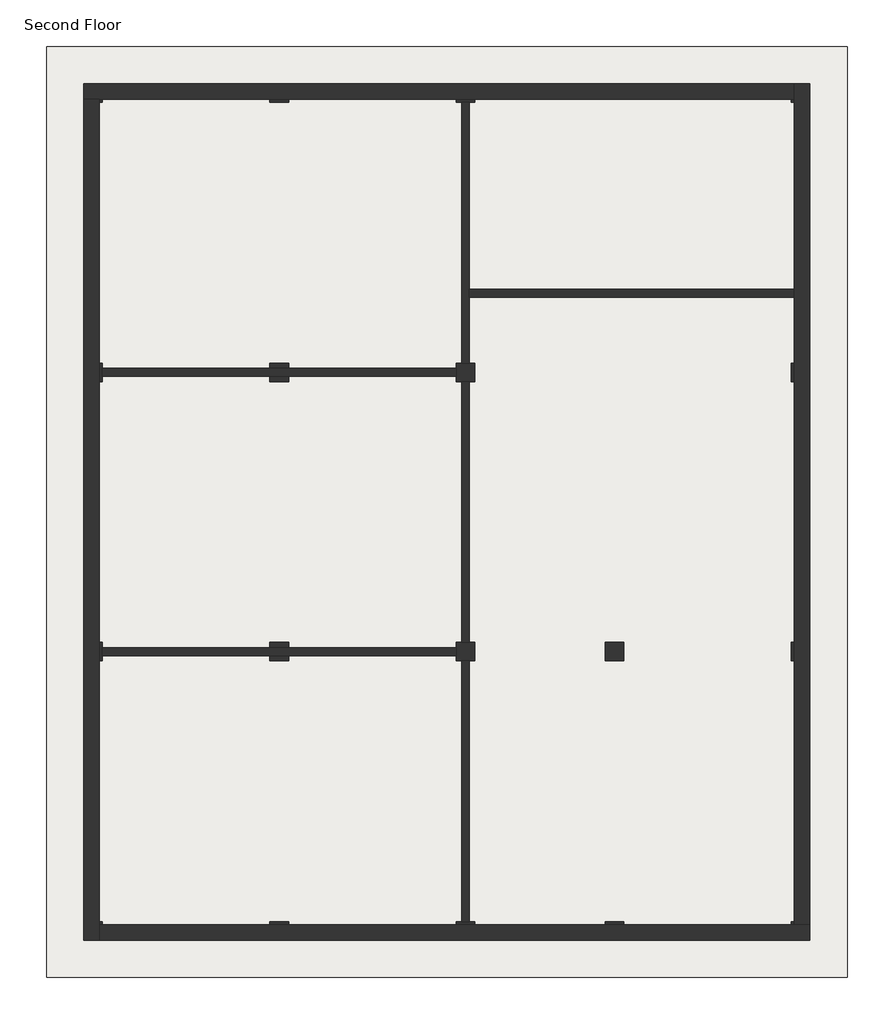
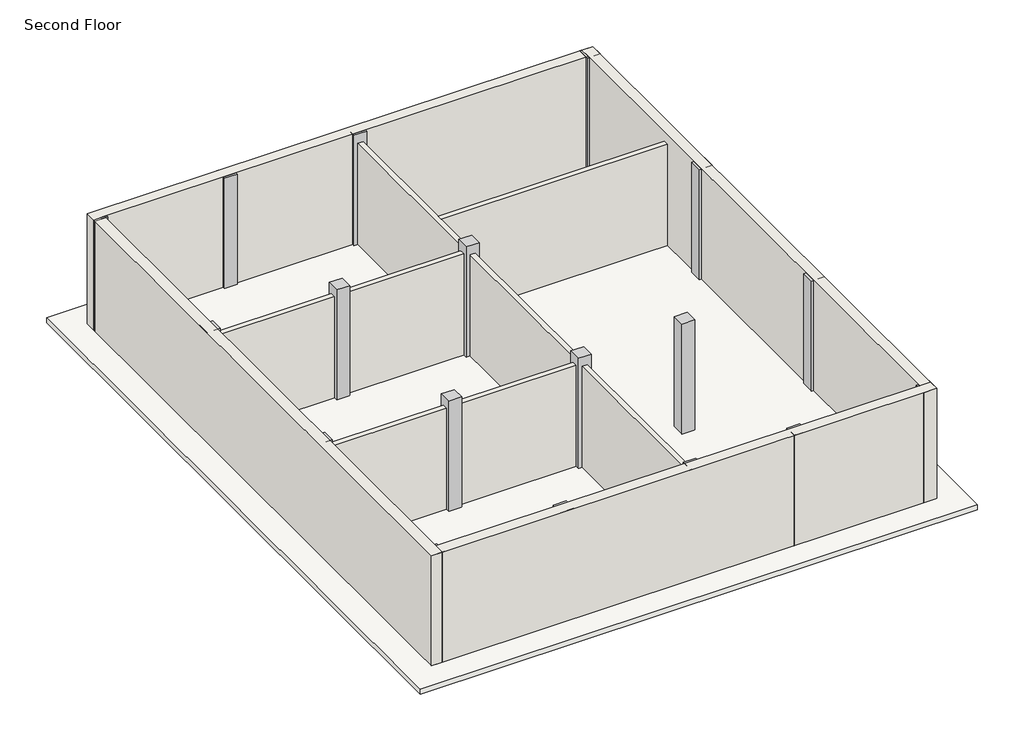
# One storey: 18 columns, 10 walls, 1 slab.
"""IFC4 building model written with IfcOpenShell, lengths in millimetres."""

import ifcopenshell
import ifcopenshell.guid

model = None  # the IFC model being written
_history = None  # IfcOwnerHistory: only IFC2X3 demands one
_inside = {}  # id of a spatial element -> (the spatial element, [elements in it])
_under = {}  # id of a project, library or spatial element -> (it, [spatial elements below it])
_declared = {}  # id of a project -> (the project, [libraries it declares])
_typed = {}  # id of a type object -> (the type object, [elements of that type])
_made_of = {}  # id of a material, layer set ... -> (it, [elements and type objects made of it])


def new_model(schema):
    """Start an empty IFC model of exactly this schema.

    Asked for "IFC4X3", IfcOpenShell would pick the latest addendum, in which some entities
    have other attributes; the version numbers below select the first issue.
    IFC2X3 requires an IfcOwnerHistory on every rooted entity: one is made here for all.
    """
    global model, _history
    if schema == "IFC4X3":
        model = ifcopenshell.file(schema_version=(4, 3, 0, 0))
    else:
        model = ifcopenshell.file(schema=schema)
    _inside.clear()
    _under.clear()
    _declared.clear()
    _typed.clear()
    _made_of.clear()
    _history = None
    if model.schema == "IFC2X3":
        org = make("IfcOrganization", Name="unknown")
        user = make(
            "IfcPersonAndOrganization",
            ThePerson=make("IfcPerson", FamilyName="unknown"),
            TheOrganization=org,
        )
        app = make(
            "IfcApplication",
            ApplicationDeveloper=org,
            Version="unknown",
            ApplicationFullName="unknown",
            ApplicationIdentifier="unknown",
        )
        _history = make(
            "IfcOwnerHistory",
            OwningUser=user,
            OwningApplication=app,
            ChangeAction="ADDED",
            CreationDate=0,
        )
    return model


def make(cls, **values):
    """One entity of the class cls with the attributes given. An attribute that is None is left unset."""
    return model.create_entity(
        cls, **{name: value for name, value in values.items() if value is not None}
    )


def rooted(cls, **values):
    """An entity with a GlobalId (a new one), such as an element, a storey or a relation."""
    return make(cls, GlobalId=ifcopenshell.guid.new(), OwnerHistory=_history, **values)


def si_unit(unit_type, name, prefix=None):
    """IfcSIUnit, for example si_unit("LENGTHUNIT", "METRE", prefix="MILLI")."""
    return make("IfcSIUnit", UnitType=unit_type, Prefix=prefix, Name=name)


def assignment(units):
    """IfcUnitAssignment: the units of a project."""
    return None if units is None else make("IfcUnitAssignment", Units=units)


def point(xyz):
    """IfcCartesianPoint."""
    return None if xyz is None else make("IfcCartesianPoint", Coordinates=xyz)


def direction(xyz):
    """IfcDirection."""
    return None if xyz is None else make("IfcDirection", DirectionRatios=xyz)


def frame(location, z_axis=None, x_axis=None):
    """IfcAxis2Placement3D, a coordinate frame: its origin and axes. An axis left out is left unset."""
    return make(
        "IfcAxis2Placement3D",
        Location=point(location),
        Axis=direction(z_axis),
        RefDirection=direction(x_axis),
    )


def origin():
    """The frame at (0, 0, 0) with its axes left unset."""
    return frame((0.0, 0.0, 0.0))


def place(relative_to, where):
    """IfcLocalPlacement: puts the frame where relative to a parent placement (None: the world)."""
    return make(
        "IfcLocalPlacement", PlacementRelTo=relative_to, RelativePlacement=where
    )


def context(
    kind, dimensions, precision=None, world=None, true_north=None, identifier=None
):
    """IfcGeometricRepresentationContext, for example the 3D "Model" context."""
    return make(
        "IfcGeometricRepresentationContext",
        ContextIdentifier=identifier,
        ContextType=kind,
        CoordinateSpaceDimension=dimensions,
        Precision=precision,
        WorldCoordinateSystem=world,
        TrueNorth=true_north,
    )


def project(units=None, contexts=None):
    """IfcProject with its units and contexts."""
    return rooted(
        "IfcProject",
        Name="project",
        RepresentationContexts=contexts,
        UnitsInContext=assignment(units),
    )


def spatial(cls, under=None, at=None, **own):
    """A site, building, storey or space (cls), placed at a placement, below another one or the project."""
    s = rooted(cls, ObjectPlacement=at, **own)
    if under is not None:
        _under.setdefault(under.id(), (under, []))[1].append(s)
    return s


def polyline(points):
    """IfcPolyline through the points."""
    return make("IfcPolyline", Points=[point(p) for p in points])


def outline(outer, holes=None, kind="AREA"):
    """IfcArbitraryClosedProfileDef: a profile drawn as a closed curve; with holes, ...WithVoids."""
    if holes is None:
        return make("IfcArbitraryClosedProfileDef", ProfileType=kind, OuterCurve=outer)
    return make(
        "IfcArbitraryProfileDefWithVoids",
        ProfileType=kind,
        OuterCurve=outer,
        InnerCurves=holes,
    )


def extrude(swept, where, along, depth):
    """IfcExtrudedAreaSolid: the profile swept, set in the frame where, extruded along a direction by depth."""
    return make(
        "IfcExtrudedAreaSolid",
        SweptArea=swept,
        Position=where,
        ExtrudedDirection=direction(along),
        Depth=depth,
    )


def faces_of(points, faces, orient=None, outer=None):
    """IfcFace entities. A face is a list of loops; a loop is a list of indices into points, from 0.

    orient and outer hold one flag for each loop. By default every Orientation is true, the
    first loop of a face is its IfcFaceOuterBound and the others are IfcFaceBound.
    """
    made = []
    for i, loops in enumerate(faces):
        bounds = []
        for j, loop in enumerate(loops):
            is_outer = j == 0 if outer is None else outer[i][j]
            bounds.append(
                make(
                    "IfcFaceOuterBound" if is_outer else "IfcFaceBound",
                    Bound=make("IfcPolyLoop", Polygon=[points[k] for k in loop]),
                    Orientation=True if orient is None else orient[i][j],
                )
            )
        made.append(make("IfcFace", Bounds=bounds))
    return made


def faceted_brep(points, faces, orient=None, outer=None, voids=None):
    """IfcFacetedBrep: a solid bounded by flat faces; with voids (closed shells), ...WithVoids."""
    shared = [point(p) for p in points]
    hull = make("IfcClosedShell", CfsFaces=faces_of(shared, faces, orient, outer))
    if voids is None:
        return make("IfcFacetedBrep", Outer=hull)
    return make(
        "IfcFacetedBrepWithVoids",
        Outer=hull,
        Voids=[
            make(cls, CfsFaces=faces_of(shared, fs, o, b)) for cls, fs, o, b in voids
        ],
    )


def shape(context_of_items, identifier, shape_type, items):
    """IfcShapeRepresentation: the items that make up one representation, for example the "Body"."""
    return make(
        "IfcShapeRepresentation",
        ContextOfItems=context_of_items,
        RepresentationIdentifier=identifier,
        RepresentationType=shape_type,
        Items=items,
    )


def source(mapping_origin, context_of_items, identifier, shape_type, items):
    """IfcRepresentationMap: a shape defined once, which mapped items show again and again."""
    return make(
        "IfcRepresentationMap",
        MappingOrigin=mapping_origin,
        MappedRepresentation=shape(context_of_items, identifier, shape_type, items),
    )


def transform(
    local_origin,
    x_axis=None,
    y_axis=None,
    z_axis=None,
    scale=None,
    scale2=None,
    scale3=None,
    uniform=True,
):
    """IfcCartesianTransformationOperator3D, or its non-uniform kind. x_axis, y_axis, z_axis: its Axis1, 2, 3."""
    if uniform:
        return make(
            "IfcCartesianTransformationOperator3D",
            Axis1=direction(x_axis),
            Axis2=direction(y_axis),
            LocalOrigin=point(local_origin),
            Scale=scale,
            Axis3=direction(z_axis),
        )
    return make(
        "IfcCartesianTransformationOperator3DnonUniform",
        Axis1=direction(x_axis),
        Axis2=direction(y_axis),
        LocalOrigin=point(local_origin),
        Scale=scale,
        Axis3=direction(z_axis),
        Scale2=scale2,
        Scale3=scale3,
    )


def mapped(mapping_source, mapping_target):
    """IfcMappedItem: shows the shape of a source again, moved by a transform."""
    return make(
        "IfcMappedItem", MappingSource=mapping_source, MappingTarget=mapping_target
    )


def made_of(thing, what):
    """Note that an element or type object is made of a material, layer set ...; save() writes the relation."""
    if what is not None:
        _made_of.setdefault(what.id(), (what, []))[1].append(thing)
    return thing


def element(
    cls,
    number,
    at=None,
    inside=None,
    cuts=None,
    type_object=None,
    material=None,
    context=None,
    identifier="Body",
    shape_type=None,
    held_by="IfcProductDefinitionShape",
    body=None,
    shapes=None,
    **own,
):
    """One element of the class cls, such as IfcWall. Its Tag is "e" and its number.

    at: its placement. inside: the storey or other place that contains it. cuts: it is an
    opening in that element (IfcRelVoidsElement). A single representation is given by context,
    identifier, shape_type and body (its items); several are given by shapes. held_by: the class
    of the entity that holds the representations. save() writes the other relations.
    """
    e = rooted(cls, Tag="e%d" % number, ObjectPlacement=at, **own)
    if body is not None:
        shapes = [shape(context, identifier, shape_type, body)]
    if shapes is not None:
        e.Representation = make(held_by, Representations=shapes)
    if inside is not None:
        _inside.setdefault(inside.id(), (inside, []))[1].append(e)
    if cuts is not None:
        rooted(
            "IfcRelVoidsElement", RelatingBuildingElement=cuts, RelatedOpeningElement=e
        )
    if type_object is not None:
        _typed.setdefault(type_object.id(), (type_object, []))[1].append(e)
    return made_of(e, material)


def aggregate(whole, parts):
    """IfcRelAggregates: a whole, such as a stair, and the parts it consists of."""
    return rooted("IfcRelAggregates", RelatingObject=whole, RelatedObjects=parts)


def save(model, path):
    """Write the relations noted so far, then the file.

    IfcRelAggregates (storeys below a building ...), IfcRelContainedInSpatialStructure (elements
    in a storey), IfcRelDefinesByType, IfcRelAssociatesMaterial and IfcRelDeclares: one each for
    every whole, place, type object, material and project.
    """
    for whole, parts in _under.values():
        aggregate(whole, parts)
    for where, things in _inside.values():
        rooted(
            "IfcRelContainedInSpatialStructure",
            RelatedElements=things,
            RelatingStructure=where,
        )
    for kind, things in _typed.values():
        rooted("IfcRelDefinesByType", RelatedObjects=things, RelatingType=kind)
    for what, things in _made_of.values():
        rooted("IfcRelAssociatesMaterial", RelatedObjects=things, RelatingMaterial=what)
    for by, libraries in _declared.values():
        rooted("IfcRelDeclares", RelatingContext=by, RelatedDefinitions=libraries)
    model.write(path)


def concrete_rectangular_column_483f9928(model_context):
    return source(origin(), model_context, "Body", "SweptSolid", [
        extrude(outline(polyline([(152.4, 152.4), (152.4, -152.4), (-152.4, -152.4), (-152.4, 152.4), (152.4, 152.4)])), frame((0.0, 0.0, 5740.4), z_axis=(0.0, 0.0, 1.0), x_axis=(1.0, 0.0, 0.0)), (0.0, 0.0, 1.0), 2743.2),
    ])


model = new_model("IFC4")

# Units and contexts
model_context = context("Model", 3, world=origin())
ifc_project = project(units=[si_unit("LENGTHUNIT", "METRE", prefix="MILLI")], contexts=[model_context])

# Site, building, storey
site = spatial("IfcSite", under=ifc_project)
building = spatial("IfcBuilding", under=site)
storey = spatial("IfcBuildingStorey", under=building, Name="Second Floor", Elevation=5740.4)

# Columns
placement = place(None, origin())
element("IfcColumn", 1, ObjectType="Concrete-Rectangular-Column", at=placement, inside=storey, context=model_context, shape_type="SweptSolid", body=[
    extrude(outline(polyline([(14744.5409002, -15039.2114294), (14744.5409002, -15344.0114294), (14439.7409002, -15344.0114294), (14439.7409002, -15039.2114294), (14744.5409002, -15039.2114294)])), frame((0.0, 0.0, 5740.4), z_axis=(0.0, 0.0, 1.0), x_axis=(1.0, 0.0, 0.0)), (0.0, 0.0, 1.0), 2743.2),
])
element("IfcColumn", 2, ObjectType="Concrete-Rectangular-Column", at=placement, inside=storey, context=model_context, shape_type="SweptSolid", body=[
    extrude(outline(polyline([(14744.5409002, -10467.2114294), (14744.5409002, -10772.0114294), (14439.7409002, -10772.0114294), (14439.7409002, -10467.2114294), (14744.5409002, -10467.2114294)])), frame((0.0, 0.0, 5740.4), z_axis=(0.0, 0.0, 1.0), x_axis=(1.0, 0.0, 0.0)), (0.0, 0.0, 1.0), 2743.2),
])
element("IfcColumn", 3, ObjectType="Concrete-Rectangular-Column", at=placement, inside=storey, context=model_context, shape_type="SweptSolid", body=[
    extrude(outline(polyline([(14744.5409002, -5895.2114294), (14744.5409002, -6200.0114294), (14439.7409002, -6200.0114294), (14439.7409002, -5895.2114294), (14744.5409002, -5895.2114294)])), frame((0.0, 0.0, 5740.4), z_axis=(0.0, 0.0, 1.0), x_axis=(1.0, 0.0, 0.0)), (0.0, 0.0, 1.0), 2743.2),
])
element("IfcColumn", 4, ObjectType="Concrete-Rectangular-Column", at=placement, inside=storey, context=model_context, shape_type="SweptSolid", body=[
    extrude(outline(polyline([(14744.5409002, -1323.2114294), (14744.5409002, -1628.0114294), (14439.7409002, -1628.0114294), (14439.7409002, -1323.2114294), (14744.5409002, -1323.2114294)])), frame((0.0, 0.0, 5740.4), z_axis=(0.0, 0.0, 1.0), x_axis=(1.0, 0.0, 0.0)), (0.0, 0.0, 1.0), 2743.2),
])
concrete_rectangular_column_shape = concrete_rectangular_column_483f9928(model_context)
element("IfcColumn", 5, ObjectType="Concrete-Rectangular-Column", at=placement, inside=storey, context=model_context, shape_type="MappedRepresentation", body=[
    mapped(concrete_rectangular_column_shape, transform((3009.7409002, -15191.6114294, 0.0), x_axis=(1.0, 0.0, 0.0), y_axis=(0.0, 1.0, 0.0), z_axis=(0.0, 0.0, 1.0))),
])
element("IfcColumn", 6, ObjectType="Concrete-Rectangular-Column", at=placement, inside=storey, context=model_context, shape_type="MappedRepresentation", body=[
    mapped(concrete_rectangular_column_shape, transform((9105.7409002, -15191.6114294, 0.0), x_axis=(1.0, 0.0, 0.0), y_axis=(0.0, 1.0, 0.0), z_axis=(0.0, 0.0, 1.0))),
])
element("IfcColumn", 7, ObjectType="Concrete-Rectangular-Column", at=placement, inside=storey, context=model_context, shape_type="MappedRepresentation", body=[
    mapped(concrete_rectangular_column_shape, transform((11544.1409002, -15191.6114294, 0.0), x_axis=(1.0, 0.0, 0.0), y_axis=(0.0, 1.0, 0.0), z_axis=(0.0, 0.0, 1.0))),
])
element("IfcColumn", 8, ObjectType="Concrete-Rectangular-Column", at=placement, inside=storey, context=model_context, shape_type="MappedRepresentation", body=[
    mapped(concrete_rectangular_column_shape, transform((6057.7409002, -15191.6114294, 0.0), x_axis=(1.0, 0.0, 0.0), y_axis=(0.0, 1.0, 0.0), z_axis=(0.0, 0.0, 1.0))),
])
element("IfcColumn", 9, ObjectType="Concrete-Rectangular-Column", at=placement, inside=storey, context=model_context, shape_type="MappedRepresentation", body=[
    mapped(concrete_rectangular_column_shape, transform((3009.7409002, -10619.6114294, 0.0), x_axis=(1.0, 0.0, 0.0), y_axis=(0.0, 1.0, 0.0), z_axis=(0.0, 0.0, 1.0))),
])
element("IfcColumn", 10, ObjectType="Concrete-Rectangular-Column", at=placement, inside=storey, context=model_context, shape_type="MappedRepresentation", body=[
    mapped(concrete_rectangular_column_shape, transform((9105.7409002, -10619.6114294, 0.0), x_axis=(1.0, 0.0, 0.0), y_axis=(0.0, 1.0, 0.0), z_axis=(0.0, 0.0, 1.0))),
])
element("IfcColumn", 11, ObjectType="Concrete-Rectangular-Column", at=placement, inside=storey, context=model_context, shape_type="MappedRepresentation", body=[
    mapped(concrete_rectangular_column_shape, transform((11544.1409002, -10619.6114294, 0.0), x_axis=(1.0, 0.0, 0.0), y_axis=(0.0, 1.0, 0.0), z_axis=(0.0, 0.0, 1.0))),
])
element("IfcColumn", 12, ObjectType="Concrete-Rectangular-Column", at=placement, inside=storey, context=model_context, shape_type="MappedRepresentation", body=[
    mapped(concrete_rectangular_column_shape, transform((6057.7409002, -10619.6114294, 0.0), x_axis=(1.0, 0.0, 0.0), y_axis=(0.0, 1.0, 0.0), z_axis=(0.0, 0.0, 1.0))),
])
element("IfcColumn", 13, ObjectType="Concrete-Rectangular-Column", at=placement, inside=storey, context=model_context, shape_type="MappedRepresentation", body=[
    mapped(concrete_rectangular_column_shape, transform((3009.7409002, -6047.6114294, 0.0), x_axis=(1.0, 0.0, 0.0), y_axis=(0.0, 1.0, 0.0), z_axis=(0.0, 0.0, 1.0))),
])
element("IfcColumn", 14, ObjectType="Concrete-Rectangular-Column", at=placement, inside=storey, context=model_context, shape_type="MappedRepresentation", body=[
    mapped(concrete_rectangular_column_shape, transform((9105.7409002, -6047.6114294, 0.0), x_axis=(1.0, 0.0, 0.0), y_axis=(0.0, 1.0, 0.0), z_axis=(0.0, 0.0, 1.0))),
])
element("IfcColumn", 15, ObjectType="Concrete-Rectangular-Column", at=placement, inside=storey, context=model_context, shape_type="MappedRepresentation", body=[
    mapped(concrete_rectangular_column_shape, transform((6057.7409002, -6047.6114294, 0.0), x_axis=(1.0, 0.0, 0.0), y_axis=(0.0, 1.0, 0.0), z_axis=(0.0, 0.0, 1.0))),
])
element("IfcColumn", 16, ObjectType="Concrete-Rectangular-Column", at=placement, inside=storey, context=model_context, shape_type="MappedRepresentation", body=[
    mapped(concrete_rectangular_column_shape, transform((3009.7409002, -1475.6114294, 0.0), x_axis=(1.0, 0.0, 0.0), y_axis=(0.0, 1.0, 0.0), z_axis=(0.0, 0.0, 1.0))),
])
element("IfcColumn", 17, ObjectType="Concrete-Rectangular-Column", at=placement, inside=storey, context=model_context, shape_type="MappedRepresentation", body=[
    mapped(concrete_rectangular_column_shape, transform((9105.7409002, -1475.6114294, 0.0), x_axis=(1.0, 0.0, 0.0), y_axis=(0.0, 1.0, 0.0), z_axis=(0.0, 0.0, 1.0))),
])
element("IfcColumn", 18, ObjectType="Concrete-Rectangular-Column", at=placement, inside=storey, context=model_context, shape_type="MappedRepresentation", body=[
    mapped(concrete_rectangular_column_shape, transform((6057.7409002, -1475.6114294, 0.0), x_axis=(1.0, 0.0, 0.0), y_axis=(0.0, 1.0, 0.0), z_axis=(0.0, 0.0, 1.0))),
])

# Slab
element("IfcSlab", 19, ObjectType="5\" Slab", at=placement, inside=storey, context=model_context, shape_type="SweptSolid", body=[
    extrude(outline(polyline([(15354.1409002, -713.6114294), (15354.1409002, -15953.6114294), (2247.7409002, -15953.6114294), (2247.7409002, -713.6114294), (15354.1409002, -713.6114294)])), frame((0.0, 0.0, 5613.4), z_axis=(0.0, 0.0, 1.0), x_axis=(1.0, 0.0, 0.0)), (0.0, 0.0, 1.0), 127.0),
])

# Walls
element("IfcWall", 20, ObjectType="5\" Wall", at=placement, inside=storey, context=model_context, shape_type="SweptSolid", body=[
    extrude(outline(polyline([(8953.3409002, -6111.1114294), (3162.1409002, -6111.1114294), (3162.1409002, -5984.1114294), (8953.3409002, -5984.1114294), (8953.3409002, -6111.1114294)])), frame((0.0, 0.0, 5740.4), z_axis=(0.0, 0.0, 1.0), x_axis=(1.0, 0.0, 0.0)), (0.0, 0.0, 1.0), 2514.6),
])
element("IfcWall", 21, ObjectType="5\" Wall", at=placement, inside=storey, context=model_context, shape_type="Brep", body=[
    faceted_brep([(9169.2409002, -5895.2114294, 5740.4), (9169.2409002, -4815.7114294, 5740.4), (9169.2409002, -4688.7114294, 5740.4), (9169.2409002, -1628.0114294, 5740.4), (9169.2409002, -1628.0114294, 8255.0), (9169.2409002, -4688.7114294, 8255.0), (9169.2409002, -4815.7114294, 8255.0), (9169.2409002, -5895.2114294, 8255.0), (9042.2409002, -5895.2114294, 5740.4), (9042.2409002, -5895.2114294, 8255.0), (9042.2409002, -1628.0114294, 8255.0), (9042.2409002, -1628.0114294, 5740.4)], [[[0, 1, 2, 3, 4, 5, 6, 7]], [[8, 9, 10, 11]], [[3, 2, 1, 0, 8, 11]], [[4, 3, 11, 10]], [[7, 6, 5, 4, 10, 9]], [[0, 7, 9, 8]]]),
])
element("IfcWall", 22, ObjectType="5\" Wall", at=placement, inside=storey, context=model_context, shape_type="SweptSolid", body=[
    extrude(outline(polyline([(9042.2409002, -10467.2114294), (9042.2409002, -6200.0114294), (9169.2409002, -6200.0114294), (9169.2409002, -10467.2114294), (9042.2409002, -10467.2114294)])), frame((0.0, 0.0, 5740.4), z_axis=(0.0, 0.0, 1.0), x_axis=(1.0, 0.0, 0.0)), (0.0, 0.0, 1.0), 2514.6),
])
element("IfcWall", 23, ObjectType="5\" Wall", at=placement, inside=storey, context=model_context, shape_type="SweptSolid", body=[
    extrude(outline(polyline([(3162.1409002, -10556.1114294), (8953.3409002, -10556.1114294), (8953.3409002, -10683.1114294), (3162.1409002, -10683.1114294), (3162.1409002, -10556.1114294)])), frame((0.0, 0.0, 5740.4), z_axis=(0.0, 0.0, 1.0), x_axis=(1.0, 0.0, 0.0)), (0.0, 0.0, 1.0), 2514.6),
])
element("IfcWall", 24, ObjectType="5\" Wall", at=placement, inside=storey, context=model_context, shape_type="SweptSolid", body=[
    extrude(outline(polyline([(9042.2409002, -15039.2114294), (9042.2409002, -10772.0114294), (9169.2409002, -10772.0114294), (9169.2409002, -15039.2114294), (9042.2409002, -15039.2114294)])), frame((0.0, 0.0, 5740.4), z_axis=(0.0, 0.0, 1.0), x_axis=(1.0, 0.0, 0.0)), (0.0, 0.0, 1.0), 2514.6),
])
element("IfcWall", 25, ObjectType="5\" Wall", at=placement, inside=storey, context=model_context, shape_type="SweptSolid", body=[
    extrude(outline(polyline([(14490.5409002, -4815.7114294), (9169.2409002, -4815.7114294), (9169.2409002, -4688.7114294), (14490.5409002, -4688.7114294), (14490.5409002, -4815.7114294)])), frame((0.0, 0.0, 5740.4), z_axis=(0.0, 0.0, 1.0), x_axis=(1.0, 0.0, 0.0)), (0.0, 0.0, 1.0), 2514.6),
])
element("IfcWall", 26, ObjectType="9\" Wall", at=placement, inside=storey, context=model_context, shape_type="Brep", body=[
    faceted_brep([(2857.3409002, -1577.2114294, 5740.4), (3111.3409002, -1577.2114294, 5740.4), (14490.5409002, -1577.2114294, 5740.4), (14490.5409002, -1577.2114294, 8483.6), (3111.3409002, -1577.2114294, 8483.6), (2857.3409002, -1577.2114294, 8483.6), (2857.3409002, -1323.2114294, 5740.4), (2857.3409002, -1323.2114294, 8483.6), (14490.5409002, -1323.2114294, 8483.6), (14490.5409002, -1323.2114294, 5740.4)], [[[0, 1, 2, 3, 4, 5]], [[6, 7, 8, 9]], [[2, 1, 0, 6, 9]], [[5, 4, 3, 8, 7]], [[0, 5, 7, 6]], [[3, 2, 9, 8]]]),
])
element("IfcWall", 27, ObjectType="9\" Wall", at=placement, inside=storey, context=model_context, shape_type="Brep", body=[
    faceted_brep([(3111.3409002, -15344.0114294, 5740.4), (3111.3409002, -15090.0114294, 5740.4), (3111.3409002, -1577.2114294, 5740.4), (3111.3409002, -1577.2114294, 8483.6), (3111.3409002, -15090.0114294, 8483.6), (3111.3409002, -15344.0114294, 8483.6), (2857.3409002, -15344.0114294, 5740.4), (2857.3409002, -15344.0114294, 8483.6), (2857.3409002, -1577.2114294, 8483.6), (2857.3409002, -1577.2114294, 5740.4)], [[[0, 1, 2, 3, 4, 5]], [[6, 7, 8, 9]], [[2, 1, 0, 6, 9]], [[5, 4, 3, 8, 7]], [[0, 5, 7, 6]], [[3, 2, 9, 8]]]),
])
element("IfcWall", 28, ObjectType="9\" Wall", at=placement, inside=storey, context=model_context, shape_type="Brep", body=[
    faceted_brep([(14744.5409002, -15090.0114294, 5740.4), (14490.5409002, -15090.0114294, 5740.4), (3111.3409002, -15090.0114294, 5740.4), (3111.3409002, -15090.0114294, 8483.6), (14490.5409002, -15090.0114294, 8483.6), (14744.5409002, -15090.0114294, 8483.6), (14744.5409002, -15344.0114294, 5740.4), (14744.5409002, -15344.0114294, 8483.6), (3111.3409002, -15344.0114294, 8483.6), (3111.3409002, -15344.0114294, 5740.4)], [[[0, 1, 2, 3, 4, 5]], [[6, 7, 8, 9]], [[2, 1, 0, 6, 9]], [[5, 4, 3, 8, 7]], [[0, 5, 7, 6]], [[3, 2, 9, 8]]]),
])
element("IfcWall", 29, ObjectType="9\" Wall", at=placement, inside=storey, context=model_context, shape_type="Brep", body=[
    faceted_brep([(14490.5409002, -1323.2114294, 5740.4), (14490.5409002, -1577.2114294, 5740.4), (14490.5409002, -4688.7114294, 5740.4), (14490.5409002, -4815.7114294, 5740.4), (14490.5409002, -15090.0114294, 5740.4), (14490.5409002, -15090.0114294, 8483.6), (14490.5409002, -1577.2114294, 8483.6), (14490.5409002, -1323.2114294, 8483.6), (14744.5409002, -1323.2114294, 5740.4), (14744.5409002, -1323.2114294, 8483.6), (14744.5409002, -15090.0114294, 8483.6), (14744.5409002, -15090.0114294, 5740.4)], [[[0, 1, 2, 3, 4, 5, 6, 7]], [[8, 9, 10, 11]], [[4, 3, 2, 1, 0, 8, 11]], [[7, 6, 5, 10, 9]], [[0, 7, 9, 8]], [[5, 4, 11, 10]]]),
])

save(model, "model.ifc")
